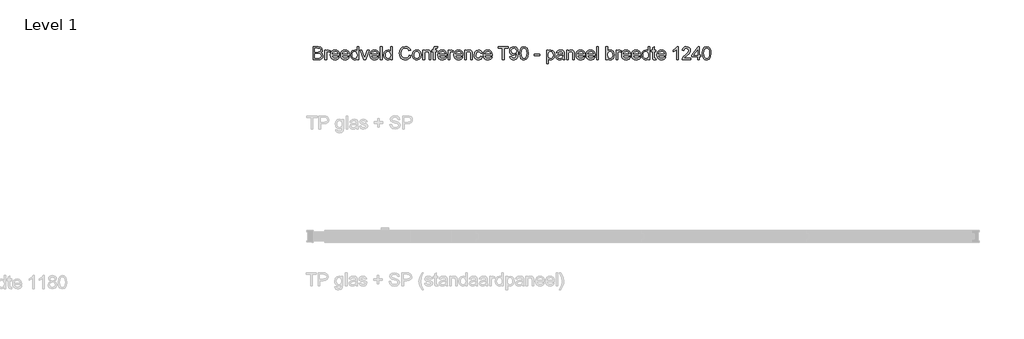
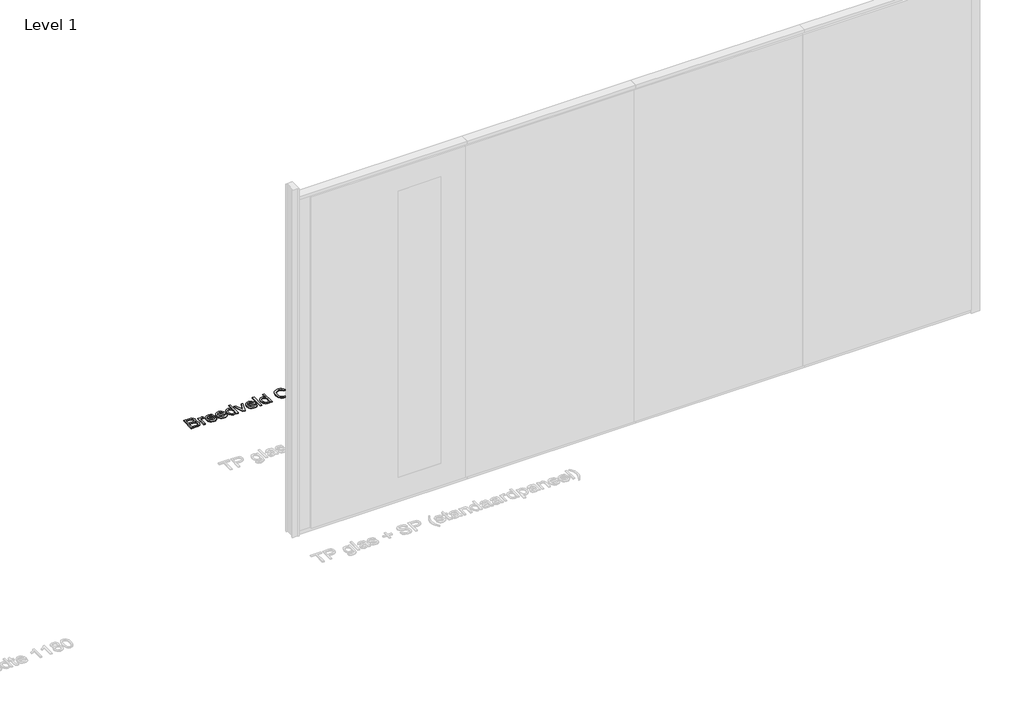
# One storey, part 10 of 17: 1 proxy.
"""IFC4 building model written with IfcOpenShell, lengths in millimetres."""

import ifcopenshell
import ifcopenshell.guid

model = None  # the IFC model being written
_history = None  # IfcOwnerHistory: only IFC2X3 demands one
_inside = {}  # id of a spatial element -> (the spatial element, [elements in it])
_under = {}  # id of a project, library or spatial element -> (it, [spatial elements below it])
_declared = {}  # id of a project -> (the project, [libraries it declares])
_typed = {}  # id of a type object -> (the type object, [elements of that type])
_made_of = {}  # id of a material, layer set ... -> (it, [elements and type objects made of it])


def new_model(schema):
    """Start an empty IFC model of exactly this schema.

    Asked for "IFC4X3", IfcOpenShell would pick the latest addendum, in which some entities
    have other attributes; the version numbers below select the first issue.
    IFC2X3 requires an IfcOwnerHistory on every rooted entity: one is made here for all.
    """
    global model, _history
    if schema == "IFC4X3":
        model = ifcopenshell.file(schema_version=(4, 3, 0, 0))
    else:
        model = ifcopenshell.file(schema=schema)
    _inside.clear()
    _under.clear()
    _declared.clear()
    _typed.clear()
    _made_of.clear()
    _history = None
    if model.schema == "IFC2X3":
        org = make("IfcOrganization", Name="unknown")
        user = make(
            "IfcPersonAndOrganization",
            ThePerson=make("IfcPerson", FamilyName="unknown"),
            TheOrganization=org,
        )
        app = make(
            "IfcApplication",
            ApplicationDeveloper=org,
            Version="unknown",
            ApplicationFullName="unknown",
            ApplicationIdentifier="unknown",
        )
        _history = make(
            "IfcOwnerHistory",
            OwningUser=user,
            OwningApplication=app,
            ChangeAction="ADDED",
            CreationDate=0,
        )
    return model


def make(cls, **values):
    """One entity of the class cls with the attributes given. An attribute that is None is left unset."""
    return model.create_entity(
        cls, **{name: value for name, value in values.items() if value is not None}
    )


def rooted(cls, **values):
    """An entity with a GlobalId (a new one), such as an element, a storey or a relation."""
    return make(cls, GlobalId=ifcopenshell.guid.new(), OwnerHistory=_history, **values)


def si_unit(unit_type, name, prefix=None):
    """IfcSIUnit, for example si_unit("LENGTHUNIT", "METRE", prefix="MILLI")."""
    return make("IfcSIUnit", UnitType=unit_type, Prefix=prefix, Name=name)


def assignment(units):
    """IfcUnitAssignment: the units of a project."""
    return None if units is None else make("IfcUnitAssignment", Units=units)


def point(xyz):
    """IfcCartesianPoint."""
    return None if xyz is None else make("IfcCartesianPoint", Coordinates=xyz)


def direction(xyz):
    """IfcDirection."""
    return None if xyz is None else make("IfcDirection", DirectionRatios=xyz)


def frame(location, z_axis=None, x_axis=None):
    """IfcAxis2Placement3D, a coordinate frame: its origin and axes. An axis left out is left unset."""
    return make(
        "IfcAxis2Placement3D",
        Location=point(location),
        Axis=direction(z_axis),
        RefDirection=direction(x_axis),
    )


def origin():
    """The frame at (0, 0, 0) with its axes left unset."""
    return frame((0.0, 0.0, 0.0))


def origin_with_axes():
    """The frame at (0, 0, 0) with the z axis (0, 0, 1) and the x axis (1, 0, 0) written out."""
    return frame((0.0, 0.0, 0.0), z_axis=(0.0, 0.0, 1.0), x_axis=(1.0, 0.0, 0.0))


def place(relative_to, where):
    """IfcLocalPlacement: puts the frame where relative to a parent placement (None: the world)."""
    return make(
        "IfcLocalPlacement", PlacementRelTo=relative_to, RelativePlacement=where
    )


def context(
    kind, dimensions, precision=None, world=None, true_north=None, identifier=None
):
    """IfcGeometricRepresentationContext, for example the 3D "Model" context."""
    return make(
        "IfcGeometricRepresentationContext",
        ContextIdentifier=identifier,
        ContextType=kind,
        CoordinateSpaceDimension=dimensions,
        Precision=precision,
        WorldCoordinateSystem=world,
        TrueNorth=true_north,
    )


def project(units=None, contexts=None):
    """IfcProject with its units and contexts."""
    return rooted(
        "IfcProject",
        Name="project",
        RepresentationContexts=contexts,
        UnitsInContext=assignment(units),
    )


def spatial(cls, under=None, at=None, **own):
    """A site, building, storey or space (cls), placed at a placement, below another one or the project."""
    s = rooted(cls, ObjectPlacement=at, **own)
    if under is not None:
        _under.setdefault(under.id(), (under, []))[1].append(s)
    return s


def polyline(points):
    """IfcPolyline through the points."""
    return make("IfcPolyline", Points=[point(p) for p in points])


def outline(outer, holes=None, kind="AREA"):
    """IfcArbitraryClosedProfileDef: a profile drawn as a closed curve; with holes, ...WithVoids."""
    if holes is None:
        return make("IfcArbitraryClosedProfileDef", ProfileType=kind, OuterCurve=outer)
    return make(
        "IfcArbitraryProfileDefWithVoids",
        ProfileType=kind,
        OuterCurve=outer,
        InnerCurves=holes,
    )


def extrude(swept, where, along, depth):
    """IfcExtrudedAreaSolid: the profile swept, set in the frame where, extruded along a direction by depth."""
    return make(
        "IfcExtrudedAreaSolid",
        SweptArea=swept,
        Position=where,
        ExtrudedDirection=direction(along),
        Depth=depth,
    )


def shape(context_of_items, identifier, shape_type, items):
    """IfcShapeRepresentation: the items that make up one representation, for example the "Body"."""
    return make(
        "IfcShapeRepresentation",
        ContextOfItems=context_of_items,
        RepresentationIdentifier=identifier,
        RepresentationType=shape_type,
        Items=items,
    )


def made_of(thing, what):
    """Note that an element or type object is made of a material, layer set ...; save() writes the relation."""
    if what is not None:
        _made_of.setdefault(what.id(), (what, []))[1].append(thing)
    return thing


def element(
    cls,
    number,
    at=None,
    inside=None,
    cuts=None,
    type_object=None,
    material=None,
    context=None,
    identifier="Body",
    shape_type=None,
    held_by="IfcProductDefinitionShape",
    body=None,
    shapes=None,
    **own,
):
    """One element of the class cls, such as IfcWall. Its Tag is "e" and its number.

    at: its placement. inside: the storey or other place that contains it. cuts: it is an
    opening in that element (IfcRelVoidsElement). A single representation is given by context,
    identifier, shape_type and body (its items); several are given by shapes. held_by: the class
    of the entity that holds the representations. save() writes the other relations.
    """
    e = rooted(cls, Tag="e%d" % number, ObjectPlacement=at, **own)
    if body is not None:
        shapes = [shape(context, identifier, shape_type, body)]
    if shapes is not None:
        e.Representation = make(held_by, Representations=shapes)
    if inside is not None:
        _inside.setdefault(inside.id(), (inside, []))[1].append(e)
    if cuts is not None:
        rooted(
            "IfcRelVoidsElement", RelatingBuildingElement=cuts, RelatedOpeningElement=e
        )
    if type_object is not None:
        _typed.setdefault(type_object.id(), (type_object, []))[1].append(e)
    return made_of(e, material)


def aggregate(whole, parts):
    """IfcRelAggregates: a whole, such as a stair, and the parts it consists of."""
    return rooted("IfcRelAggregates", RelatingObject=whole, RelatedObjects=parts)


def save(model, path):
    """Write the relations noted so far, then the file.

    IfcRelAggregates (storeys below a building ...), IfcRelContainedInSpatialStructure (elements
    in a storey), IfcRelDefinesByType, IfcRelAssociatesMaterial and IfcRelDeclares: one each for
    every whole, place, type object, material and project.
    """
    for whole, parts in _under.values():
        aggregate(whole, parts)
    for where, things in _inside.values():
        rooted(
            "IfcRelContainedInSpatialStructure",
            RelatedElements=things,
            RelatingStructure=where,
        )
    for kind, things in _typed.values():
        rooted("IfcRelDefinesByType", RelatedObjects=things, RelatingType=kind)
    for what, things in _made_of.values():
        rooted("IfcRelAssociatesMaterial", RelatedObjects=things, RelatingMaterial=what)
    for by, libraries in _declared.values():
        rooted("IfcRelDeclares", RelatingContext=by, RelatedDefinitions=libraries)
    model.write(path)


model = new_model("IFC4")

# Units and contexts
model_context = context("Model", 3, world=origin())
ifc_project = project(units=[si_unit("LENGTHUNIT", "METRE", prefix="MILLI")], contexts=[model_context])

# Site, building, storey
site = spatial("IfcSite", under=ifc_project)
building = spatial("IfcBuilding", under=site)
storey = spatial("IfcBuildingStorey", under=building, Name="Level 1", Elevation=0.0)

# Proxy
placement = place(None, origin())
element("IfcBuildingElementProxy", 1, Name="100 mm", ObjectType="100 mm", at=placement, inside=storey, context=model_context, shape_type="SweptSolid", body=[
    extrude(outline(polyline([(-12470.6602817, 5842.9102169), (-12470.6602817, 5941.3717554), (-12433.0881664, 5941.3717554), (-12414.686724, 5938.4751207), (-12403.8213394, 5929.5688707), (-12399.891051, 5916.9727169), (-12403.1963394, 5905.4703131), (-12413.1843202, 5896.7563707), (-12401.0569164, 5887.5736784), (-12396.8141279, 5872.2611784), (-12399.7107625, 5859.0280054), (-12406.8862433, 5849.6049284), (-12417.5953779, 5844.6049284), (-12433.3766279, 5842.9102169), (-12470.6602817, 5842.9102169)]), holes=[polyline([(-12458.3525894, 5855.2179092), (-12433.1122048, 5855.2179092), (-12423.9775894, 5855.6986784), (-12416.249224, 5858.3789669), (-12411.1290317, 5863.8477169), (-12409.1218202, 5872.1409861), (-12411.4775894, 5881.7082938), (-12419.109801, 5887.4174284), (-12434.3141279, 5889.0640631), (-12458.3525894, 5889.0640631), (-12458.3525894, 5855.2179092)]), polyline([(-12458.3525894, 5901.3717554), (-12435.8766279, 5901.3717554), (-12422.7516279, 5902.4294477), (-12414.8549933, 5906.9847361), (-12412.1987433, 5915.0015631), (-12414.6747048, 5923.0304092), (-12421.766051, 5927.7780054), (-12437.5833587, 5929.0640631), (-12458.3525894, 5929.0640631), (-12458.3525894, 5901.3717554)])]), origin_with_axes(), (0.0, 0.0, 1.0), 5.0),
    extrude(outline(polyline([(-12381.4295125, 5842.9102169), (-12381.4295125, 5915.2179092), (-12370.6602817, 5915.2179092), (-12370.6602817, 5904.5207938), (-12363.016051, 5914.3765631), (-12355.3237433, 5916.7563707), (-12342.967974, 5912.9582938), (-12347.078551, 5901.92464), (-12355.7323971, 5904.4486784), (-12362.6915317, 5902.0207938), (-12367.1266279, 5895.2900246), (-12369.1218202, 5880.9150246), (-12369.1218202, 5842.9102169), (-12381.4295125, 5842.9102169)])), origin_with_axes(), (0.0, 0.0, 1.0), 5.0),
    extrude(outline(polyline([(-12284.6506664, 5864.4486784), (-12272.5833587, 5862.9102169), (-12276.9313154, 5853.8176688), (-12283.8694164, 5847.0207938), (-12293.2414115, 5842.784015), (-12304.891051, 5841.3717554), (-12319.3321567, 5843.8086544), (-12330.4439356, 5851.1193515), (-12337.5292721, 5862.8290871), (-12339.891051, 5878.4631015), (-12337.5052337, 5894.6229573), (-12330.3477817, 5906.7082938), (-12319.3862433, 5914.2443515), (-12305.5881664, 5916.7563707), (-12292.2197769, 5914.2503611), (-12281.5376856, 5906.7323323), (-12274.5334789, 5894.6710342), (-12272.1987433, 5878.5352169), (-12272.2708587, 5875.2179092), (-12327.5833587, 5875.2179092), (-12325.45295, 5866.0051688), (-12320.5040317, 5859.2323323), (-12304.6506664, 5853.6794477), (-12292.5833587, 5856.2515631), (-12284.6506664, 5864.4486784)]), holes=[polyline([(-12327.5833587, 5887.5256015), (-12284.5064356, 5887.5256015), (-12289.4343202, 5898.6794477), (-12296.609801, 5903.0063707), (-12305.6362433, 5904.4486784), (-12320.7924933, 5899.8453131), (-12327.5833587, 5887.5256015)])]), origin_with_axes(), (0.0, 0.0, 1.0), 5.0),
    extrude(outline(polyline([(-12209.266051, 5864.4486784), (-12197.1987433, 5862.9102169), (-12201.5467, 5853.8176688), (-12208.484801, 5847.0207938), (-12217.8567962, 5842.784015), (-12229.5064356, 5841.3717554), (-12243.9475414, 5843.8086544), (-12255.0593202, 5851.1193515), (-12262.1446567, 5862.8290871), (-12264.5064356, 5878.4631015), (-12262.1206183, 5894.6229573), (-12254.9631664, 5906.7082938), (-12244.0016279, 5914.2443515), (-12230.203551, 5916.7563707), (-12216.8351615, 5914.2503611), (-12206.1530702, 5906.7323323), (-12199.1488635, 5894.6710342), (-12196.8141279, 5878.5352169), (-12196.8862433, 5875.2179092), (-12252.1987433, 5875.2179092), (-12250.0683346, 5866.0051688), (-12245.1194164, 5859.2323323), (-12229.266051, 5853.6794477), (-12217.1987433, 5856.2515631), (-12209.266051, 5864.4486784)]), holes=[polyline([(-12252.1987433, 5887.5256015), (-12209.1218202, 5887.5256015), (-12214.0497048, 5898.6794477), (-12221.2251856, 5903.0063707), (-12230.2516279, 5904.4486784), (-12245.4078779, 5899.8453131), (-12252.1987433, 5887.5256015)])]), origin_with_axes(), (0.0, 0.0, 1.0), 5.0),
    extrude(outline(polyline([(-12139.891051, 5842.9102169), (-12139.891051, 5854.5207938), (-12148.0340798, 5844.659015), (-12159.2900894, 5841.3717554), (-12174.530474, 5846.1313707), (-12185.2997048, 5859.4126207), (-12189.1218202, 5878.9919477), (-12185.6001856, 5898.5832938), (-12175.047301, 5912.0688707), (-12159.3381664, 5916.7563707), (-12147.9920125, 5913.4030054), (-12139.891051, 5904.6890631), (-12139.891051, 5941.3717554), (-12127.5833587, 5941.3717554), (-12127.5833587, 5842.9102169), (-12139.891051, 5842.9102169)]), holes=[polyline([(-12176.8141279, 5879.0400246), (-12175.4259067, 5867.9072121), (-12171.2612433, 5859.9895438), (-12165.2095606, 5855.2569717), (-12158.1602817, 5853.6794477), (-12151.1140077, 5855.1848563), (-12145.2155702, 5859.7010823), (-12141.2221808, 5867.3122602), (-12139.891051, 5878.1025246), (-12141.2462192, 5889.8993996), (-12145.311724, 5898.0784861), (-12151.3604019, 5902.8561304), (-12158.6650894, 5904.4486784), (-12165.7864837, 5902.9192313), (-12171.6218202, 5898.33089), (-12175.516051, 5890.4492794), (-12176.8141279, 5879.0400246)])]), origin_with_axes(), (0.0, 0.0, 1.0), 5.0),
    extrude(outline(polyline([(-12091.3814356, 5842.9102169), (-12116.8141279, 5915.2179092), (-12103.7852817, 5915.2179092), (-12088.3766279, 5871.9006015), (-12083.7372048, 5857.3332938), (-12079.1939356, 5871.0832938), (-12063.6891279, 5915.2179092), (-12050.6602817, 5915.2179092), (-12075.780474, 5842.9102169), (-12091.3814356, 5842.9102169)])), origin_with_axes(), (0.0, 0.0, 1.0), 5.0),
    extrude(outline(polyline([(-11989.266051, 5864.4486784), (-11977.1987433, 5862.9102169), (-11981.5467, 5853.8176688), (-11988.484801, 5847.0207938), (-11997.8567962, 5842.784015), (-12009.5064356, 5841.3717554), (-12023.9475414, 5843.8086544), (-12035.0593202, 5851.1193515), (-12042.1446567, 5862.8290871), (-12044.5064356, 5878.4631015), (-12042.1206183, 5894.6229573), (-12034.9631664, 5906.7082938), (-12024.0016279, 5914.2443515), (-12010.203551, 5916.7563707), (-11996.8351615, 5914.2503611), (-11986.1530702, 5906.7323323), (-11979.1488635, 5894.6710342), (-11976.8141279, 5878.5352169), (-11976.8862433, 5875.2179092), (-12032.1987433, 5875.2179092), (-12030.0683346, 5866.0051688), (-12025.1194164, 5859.2323323), (-12009.266051, 5853.6794477), (-11997.1987433, 5856.2515631), (-11989.266051, 5864.4486784)]), holes=[polyline([(-12032.1987433, 5887.5256015), (-11989.1218202, 5887.5256015), (-11994.0497048, 5898.6794477), (-12001.2251856, 5903.0063707), (-12010.2516279, 5904.4486784), (-12025.4078779, 5899.8453131), (-12032.1987433, 5887.5256015)])]), origin_with_axes(), (0.0, 0.0, 1.0), 5.0),
    extrude(outline(polyline([(-11964.5064356, 5842.9102169), (-11964.5064356, 5941.3717554), (-11952.1987433, 5941.3717554), (-11952.1987433, 5842.9102169), (-11964.5064356, 5842.9102169)])), origin_with_axes(), (0.0, 0.0, 1.0), 5.0),
    extrude(outline(polyline([(-11889.1218202, 5842.9102169), (-11889.1218202, 5854.5207938), (-11897.264849, 5844.659015), (-11908.5208587, 5841.3717554), (-11923.7612433, 5846.1313707), (-11934.530474, 5859.4126207), (-11938.3525894, 5878.9919477), (-11934.8309548, 5898.5832938), (-11924.2780702, 5912.0688707), (-11908.5689356, 5916.7563707), (-11897.2227817, 5913.4030054), (-11889.1218202, 5904.6890631), (-11889.1218202, 5941.3717554), (-11876.8141279, 5941.3717554), (-11876.8141279, 5842.9102169), (-11889.1218202, 5842.9102169)]), holes=[polyline([(-11926.0448971, 5879.0400246), (-11924.656676, 5867.9072121), (-11920.4920125, 5859.9895438), (-11914.4403298, 5855.2569717), (-11907.391051, 5853.6794477), (-11900.3447769, 5855.1848563), (-11894.4463394, 5859.7010823), (-11890.45295, 5867.3122602), (-11889.1218202, 5878.1025246), (-11890.4769885, 5889.8993996), (-11894.5424933, 5898.0784861), (-11900.5911712, 5902.8561304), (-11907.8958587, 5904.4486784), (-11915.0172529, 5902.9192313), (-11920.8525894, 5898.33089), (-11924.7468202, 5890.4492794), (-11926.0448971, 5879.0400246)])]), origin_with_axes(), (0.0, 0.0, 1.0), 5.0),
    extrude(outline(polyline([(-11749.1218202, 5877.9102169), (-11736.8141279, 5874.73714), (-11742.4932144, 5860.3951929), (-11751.405474, 5849.9174284), (-11763.1122048, 5843.5081736), (-11777.1747048, 5841.3717554), (-11791.4505462, 5842.9883419), (-11802.7876856, 5847.8381015), (-11811.4775894, 5855.752765), (-11817.811724, 5866.5640631), (-11822.967974, 5892.8861784), (-11821.5106423, 5907.2431496), (-11817.1386471, 5919.6409861), (-11810.0803539, 5929.6860582), (-11800.5641279, 5936.9847361), (-11776.9102817, 5942.9102169), (-11763.4156904, 5940.9931496), (-11752.2588394, 5935.2419477), (-11743.7882865, 5926.0111784), (-11738.3525894, 5913.6554092), (-11750.6602817, 5910.7227169), (-11760.7564356, 5925.8549284), (-11777.391051, 5930.6025246), (-11796.6458587, 5925.3381015), (-11807.5232625, 5911.2034861), (-11810.6602817, 5892.9102169), (-11806.9463394, 5871.7082938), (-11795.3838394, 5858.1626207), (-11778.4006664, 5853.6794477), (-11768.1272289, 5855.20589), (-11759.5665317, 5859.7852169), (-11753.1031904, 5867.3693515), (-11749.1218202, 5877.9102169)])), origin_with_axes(), (0.0, 0.0, 1.0), 5.0),
    extrude(outline(polyline([(-11724.5064356, 5879.0640631), (-11721.844176, 5896.4979573), (-11713.8573971, 5908.7515631), (-11703.9896087, 5914.7551688), (-11692.1747048, 5916.7563707), (-11679.2450173, 5914.3194717), (-11668.9174933, 5907.0087746), (-11662.1476615, 5895.4012025), (-11659.891051, 5880.0736784), (-11663.8814356, 5858.17464), (-11675.5040317, 5845.7828131), (-11692.1747048, 5841.3717554), (-11705.2606423, 5843.79964), (-11715.5761471, 5851.0832938), (-11722.2738635, 5862.9342554), (-11724.5064356, 5879.0640631)]), holes=[polyline([(-11712.1987433, 5879.0881015), (-11710.7744644, 5867.9492794), (-11706.5016279, 5860.0135823), (-11700.0713394, 5855.2629813), (-11692.1747048, 5853.6794477), (-11684.3141279, 5855.2719957), (-11677.8958587, 5860.04964), (-11673.6230221, 5868.0905054), (-11672.1987433, 5879.4727169), (-11673.6320365, 5890.2870198), (-11677.9319164, 5898.1145438), (-11684.3592, 5902.8651448), (-11692.1747048, 5904.4486784), (-11700.0713394, 5902.8711544), (-11706.5016279, 5898.1385823), (-11710.7744644, 5890.220914), (-11712.1987433, 5879.0881015)])]), origin_with_axes(), (0.0, 0.0, 1.0), 5.0),
    extrude(outline(polyline([(-11646.0448971, 5842.9102169), (-11646.0448971, 5915.2179092), (-11633.7372048, 5915.2179092), (-11633.7372048, 5905.1217554), (-11624.3261471, 5913.8477169), (-11611.4775894, 5916.7563707), (-11599.8549933, 5914.4126207), (-11591.922301, 5908.2587746), (-11588.2323971, 5899.2082938), (-11587.5833587, 5887.3092554), (-11587.5833587, 5842.9102169), (-11599.891051, 5842.9102169), (-11599.891051, 5885.6506015), (-11601.3093202, 5896.5400246), (-11606.3213394, 5902.2972361), (-11614.7708587, 5904.4486784), (-11628.124224, 5899.6169477), (-11632.3339596, 5892.6157457), (-11633.7372048, 5881.2756015), (-11633.7372048, 5842.9102169), (-11646.0448971, 5842.9102169)])), origin_with_axes(), (0.0, 0.0, 1.0), 5.0),
    extrude(outline(polyline([(-11567.5833587, 5842.9102169), (-11567.5833587, 5902.9102169), (-11578.3525894, 5902.9102169), (-11578.3525894, 5915.2179092), (-11567.5833587, 5915.2179092), (-11567.5833587, 5922.5015631), (-11566.2852817, 5932.7659861), (-11559.9872048, 5940.0977169), (-11547.5833587, 5942.9102169), (-11536.3573971, 5941.5640631), (-11538.1602817, 5930.0256015), (-11545.2516279, 5930.6025246), (-11553.0040317, 5928.5592554), (-11555.2756664, 5920.9390631), (-11555.2756664, 5915.2179092), (-11541.4295125, 5915.2179092), (-11541.4295125, 5902.9102169), (-11555.2756664, 5902.9102169), (-11555.2756664, 5842.9102169), (-11567.5833587, 5842.9102169)])), origin_with_axes(), (0.0, 0.0, 1.0), 5.0),
    extrude(outline(polyline([(-11480.0352817, 5864.4486784), (-11467.967974, 5862.9102169), (-11472.3159308, 5853.8176688), (-11479.2540317, 5847.0207938), (-11488.6260269, 5842.784015), (-11500.2756664, 5841.3717554), (-11514.7167721, 5843.8086544), (-11525.828551, 5851.1193515), (-11532.9138875, 5862.8290871), (-11535.2756664, 5878.4631015), (-11532.889849, 5894.6229573), (-11525.7323971, 5906.7082938), (-11514.7708587, 5914.2443515), (-11500.9727817, 5916.7563707), (-11487.6043923, 5914.2503611), (-11476.922301, 5906.7323323), (-11469.9180942, 5894.6710342), (-11467.5833587, 5878.5352169), (-11467.655474, 5875.2179092), (-11522.967974, 5875.2179092), (-11520.8375654, 5866.0051688), (-11515.8886471, 5859.2323323), (-11500.0352817, 5853.6794477), (-11487.967974, 5856.2515631), (-11480.0352817, 5864.4486784)]), holes=[polyline([(-11522.967974, 5887.5256015), (-11479.891051, 5887.5256015), (-11484.8189356, 5898.6794477), (-11491.9944164, 5903.0063707), (-11501.0208587, 5904.4486784), (-11516.1771087, 5899.8453131), (-11522.967974, 5887.5256015)])]), origin_with_axes(), (0.0, 0.0, 1.0), 5.0),
    extrude(outline(polyline([(-11455.2756664, 5842.9102169), (-11455.2756664, 5915.2179092), (-11444.5064356, 5915.2179092), (-11444.5064356, 5904.5207938), (-11436.8622048, 5914.3765631), (-11429.1698971, 5916.7563707), (-11416.8141279, 5912.9582938), (-11420.9247048, 5901.92464), (-11429.578551, 5904.4486784), (-11436.5376856, 5902.0207938), (-11440.9727817, 5895.2900246), (-11442.967974, 5880.9150246), (-11442.967974, 5842.9102169), (-11455.2756664, 5842.9102169)])), origin_with_axes(), (0.0, 0.0, 1.0), 5.0),
    extrude(outline(polyline([(-11358.4968202, 5864.4486784), (-11346.4295125, 5862.9102169), (-11350.7774692, 5853.8176688), (-11357.7155702, 5847.0207938), (-11367.0875654, 5842.784015), (-11378.7372048, 5841.3717554), (-11393.1783106, 5843.8086544), (-11404.2900894, 5851.1193515), (-11411.375426, 5862.8290871), (-11413.7372048, 5878.4631015), (-11411.3513875, 5894.6229573), (-11404.1939356, 5906.7082938), (-11393.2323971, 5914.2443515), (-11379.4343202, 5916.7563707), (-11366.0659308, 5914.2503611), (-11355.3838394, 5906.7323323), (-11348.3796327, 5894.6710342), (-11346.0448971, 5878.5352169), (-11346.1170125, 5875.2179092), (-11401.4295125, 5875.2179092), (-11399.2991039, 5866.0051688), (-11394.3501856, 5859.2323323), (-11378.4968202, 5853.6794477), (-11366.4295125, 5856.2515631), (-11358.4968202, 5864.4486784)]), holes=[polyline([(-11401.4295125, 5887.5256015), (-11358.3525894, 5887.5256015), (-11363.280474, 5898.6794477), (-11370.4559548, 5903.0063707), (-11379.4823971, 5904.4486784), (-11394.6386471, 5899.8453131), (-11401.4295125, 5887.5256015)])]), origin_with_axes(), (0.0, 0.0, 1.0), 5.0),
    extrude(outline(polyline([(-11333.7372048, 5842.9102169), (-11333.7372048, 5915.2179092), (-11321.4295125, 5915.2179092), (-11321.4295125, 5905.1217554), (-11312.0184548, 5913.8477169), (-11299.1698971, 5916.7563707), (-11287.547301, 5914.4126207), (-11279.6146087, 5908.2587746), (-11275.9247048, 5899.2082938), (-11275.2756664, 5887.3092554), (-11275.2756664, 5842.9102169), (-11287.5833587, 5842.9102169), (-11287.5833587, 5885.6506015), (-11289.0016279, 5896.5400246), (-11294.0136471, 5902.2972361), (-11302.4631664, 5904.4486784), (-11315.8165317, 5899.6169477), (-11320.0262673, 5892.6157457), (-11321.4295125, 5881.2756015), (-11321.4295125, 5842.9102169), (-11333.7372048, 5842.9102169)])), origin_with_axes(), (0.0, 0.0, 1.0), 5.0),
    extrude(outline(polyline([(-11212.1987433, 5869.0640631), (-11199.891051, 5867.5256015), (-11203.3225414, 5856.5790871), (-11209.7708587, 5848.3068515), (-11218.6290317, 5843.1055294), (-11229.2900894, 5841.3717554), (-11242.3820365, 5843.7906256), (-11252.6194164, 5851.0472361), (-11259.2269885, 5862.8230775), (-11261.4295125, 5878.79964), (-11257.6674933, 5899.2443515), (-11246.2011471, 5912.3813707), (-11229.4583587, 5916.7563707), (-11219.0587192, 5915.2539669), (-11210.7444164, 5910.7467554), (-11204.7798731, 5903.4751207), (-11201.4295125, 5893.6794477), (-11213.7372048, 5892.1409861), (-11219.4463394, 5901.3597361), (-11229.3622048, 5904.4486784), (-11237.3159308, 5902.9282457), (-11243.6290317, 5898.3669477), (-11247.7486231, 5890.51839), (-11249.1218202, 5879.1361784), (-11247.7786712, 5867.6007217), (-11243.749224, 5859.7251207), (-11237.5503058, 5855.1908659), (-11229.6987433, 5853.6794477), (-11218.1001856, 5857.4534861), (-11212.1987433, 5869.0640631)])), origin_with_axes(), (0.0, 0.0, 1.0), 5.0),
    extrude(outline(polyline([(-11138.4968202, 5864.4486784), (-11126.4295125, 5862.9102169), (-11130.7774692, 5853.8176688), (-11137.7155702, 5847.0207938), (-11147.0875654, 5842.784015), (-11158.7372048, 5841.3717554), (-11173.1783106, 5843.8086544), (-11184.2900894, 5851.1193515), (-11191.375426, 5862.8290871), (-11193.7372048, 5878.4631015), (-11191.3513875, 5894.6229573), (-11184.1939356, 5906.7082938), (-11173.2323971, 5914.2443515), (-11159.4343202, 5916.7563707), (-11146.0659308, 5914.2503611), (-11135.3838394, 5906.7323323), (-11128.3796327, 5894.6710342), (-11126.0448971, 5878.5352169), (-11126.1170125, 5875.2179092), (-11181.4295125, 5875.2179092), (-11179.2991039, 5866.0051688), (-11174.3501856, 5859.2323323), (-11158.4968202, 5853.6794477), (-11146.4295125, 5856.2515631), (-11138.4968202, 5864.4486784)]), holes=[polyline([(-11181.4295125, 5887.5256015), (-11138.3525894, 5887.5256015), (-11143.280474, 5898.6794477), (-11150.4559548, 5903.0063707), (-11159.4823971, 5904.4486784), (-11174.6386471, 5899.8453131), (-11181.4295125, 5887.5256015)])]), origin_with_axes(), (0.0, 0.0, 1.0), 5.0),
    extrude(outline(polyline([(-11049.1218202, 5842.9102169), (-11049.1218202, 5929.0640631), (-11081.4295125, 5929.0640631), (-11081.4295125, 5941.3717554), (-11004.5064356, 5941.3717554), (-11004.5064356, 5929.0640631), (-11036.8141279, 5929.0640631), (-11036.8141279, 5842.9102169), (-11049.1218202, 5842.9102169)])), origin_with_axes(), (0.0, 0.0, 1.0), 5.0),
    extrude(outline(polyline([(-10993.7372048, 5867.5256015), (-10981.4295125, 5869.0640631), (-10975.9006664, 5857.3212746), (-10965.4198971, 5853.6794477), (-10955.4559548, 5856.0231977), (-10948.7011471, 5862.2852169), (-10944.6747048, 5872.9823323), (-10942.8958587, 5887.2611784), (-10942.967974, 5889.6650246), (-10952.811724, 5880.3381015), (-10966.3093202, 5876.7563707), (-10977.5322769, 5878.9438707), (-10986.874224, 5885.5063707), (-10993.1753058, 5895.6445919), (-10995.2756664, 5908.5592554), (-10993.0731423, 5921.9006015), (-10986.4655702, 5932.3573323), (-10976.5406904, 5939.1181496), (-10964.3862433, 5941.3717554), (-10946.8501856, 5936.2275246), (-10934.7828779, 5921.5640631), (-10930.6602817, 5894.0159861), (-10934.7708587, 5864.1241592), (-10946.9944164, 5847.1890631), (-10955.8015077, 5842.8260823), (-10965.9968202, 5841.3717554), (-10976.5196567, 5843.0875006), (-10984.9150894, 5848.2347361), (-10990.7864837, 5856.4889429), (-10993.7372048, 5867.5256015)]), holes=[polyline([(-10942.967974, 5908.8477169), (-10948.280474, 5923.6073323), (-10962.391051, 5929.0640631), (-10970.6122048, 5927.5947121), (-10977.1987433, 5923.1866592), (-10981.5256664, 5916.4408659), (-10982.967974, 5907.9582938), (-10977.5112433, 5894.3164669), (-10962.7275894, 5889.0640631), (-10948.5328779, 5894.3164669), (-10944.3592, 5900.5754813), (-10942.967974, 5908.8477169)])]), origin_with_axes(), (0.0, 0.0, 1.0), 5.0),
    extrude(outline(polyline([(-10919.891051, 5891.3477169), (-10916.2732625, 5919.6770438), (-10905.5280702, 5936.0111784), (-10887.5833587, 5941.3717554), (-10873.2083587, 5938.1986784), (-10863.280474, 5929.0520438), (-10857.5112433, 5914.4847361), (-10855.2756664, 5891.3477169), (-10858.8573971, 5863.1385823), (-10869.5665317, 5846.76839), (-10887.5833587, 5841.3717554), (-10900.3718202, 5843.7155054), (-10910.0833587, 5850.7467554), (-10917.4391279, 5867.3993996), (-10919.891051, 5891.3477169)]), holes=[polyline([(-10907.5833587, 5891.3717554), (-10906.141051, 5872.0117794), (-10901.8141279, 5860.8068515), (-10895.3718202, 5855.4612986), (-10887.5833587, 5853.6794477), (-10879.7948971, 5855.4673082), (-10873.3525894, 5860.83089), (-10869.0256664, 5872.0418275), (-10867.5833587, 5891.3717554), (-10868.9775894, 5910.2960342), (-10873.1602817, 5921.5881015), (-10879.5905702, 5927.1950727), (-10887.7275894, 5929.0640631), (-10895.4319164, 5927.4174284), (-10901.6218202, 5922.4775246), (-10906.092974, 5910.4823323), (-10907.5833587, 5891.3717554)])]), origin_with_axes(), (0.0, 0.0, 1.0), 5.0),
    extrude(outline(polyline([(-10809.1218202, 5872.1409861), (-10809.1218202, 5884.4486784), (-10770.6602817, 5884.4486784), (-10770.6602817, 5872.1409861), (-10809.1218202, 5872.1409861)])), origin_with_axes(), (0.0, 0.0, 1.0), 5.0),
    extrude(outline(polyline([(-10718.3525894, 5815.2179092), (-10718.3525894, 5915.2179092), (-10706.0448971, 5915.2179092), (-10706.0448971, 5903.1506015), (-10697.5352817, 5913.3549284), (-10686.0448971, 5916.7563707), (-10670.4439356, 5911.9967554), (-10660.2516279, 5898.5832938), (-10656.8141279, 5879.6169477), (-10660.6963394, 5859.6770438), (-10671.9703779, 5846.0953131), (-10687.5352817, 5841.3717554), (-10698.2444164, 5844.5328131), (-10706.0448971, 5852.5256015), (-10706.0448971, 5815.2179092), (-10718.3525894, 5815.2179092)]), holes=[polyline([(-10706.0448971, 5878.48714), (-10704.7137673, 5867.4534861), (-10700.7203779, 5859.73714), (-10694.82795, 5855.1938707), (-10687.7997048, 5853.6794477), (-10680.6572769, 5855.2479573), (-10674.6146087, 5859.9534861), (-10670.4950173, 5867.9522842), (-10669.1218202, 5879.4006015), (-10670.4619644, 5890.3741592), (-10674.4823971, 5898.1986784), (-10680.3658106, 5902.8861784), (-10687.2948971, 5904.4486784), (-10694.2510269, 5902.7870198), (-10700.359801, 5897.8020438), (-10704.6236231, 5889.6500006), (-10706.0448971, 5878.48714)])]), origin_with_axes(), (0.0, 0.0, 1.0), 5.0),
    extrude(outline(polyline([(-10596.8141279, 5852.1409861), (-10608.749224, 5843.79964), (-10621.9343202, 5841.3717554), (-10632.2197769, 5842.8320919), (-10639.8069164, 5847.2131015), (-10644.4854019, 5853.8657457), (-10646.0448971, 5862.1409861), (-10643.6891279, 5871.8765631), (-10637.499224, 5878.9438707), (-10628.8814356, 5882.9823323), (-10618.2323971, 5884.8332938), (-10596.8862433, 5889.0640631), (-10596.8141279, 5891.8044477), (-10600.203551, 5900.8909861), (-10613.8093202, 5904.4486784), (-10626.2612433, 5902.08089), (-10632.1987433, 5893.6794477), (-10644.5064356, 5895.2179092), (-10639.1819164, 5907.23714), (-10628.4607625, 5914.2804092), (-10612.2227817, 5916.7563707), (-10597.3069164, 5914.5688707), (-10588.8814356, 5909.0760823), (-10585.1073971, 5900.7227169), (-10584.5064356, 5889.9534861), (-10584.5064356, 5874.6409861), (-10583.8814356, 5853.2587746), (-10581.4295125, 5842.9102169), (-10593.7372048, 5842.9102169), (-10596.8141279, 5852.1409861)]), holes=[polyline([(-10596.8141279, 5876.7563707), (-10616.6698971, 5872.9823323), (-10627.2588394, 5870.98714), (-10632.0545125, 5867.7419477), (-10633.7372048, 5863.0063707), (-10630.0713394, 5856.3477169), (-10619.3141279, 5853.6794477), (-10606.8622048, 5856.6241592), (-10598.8333587, 5863.7515631), (-10596.8862433, 5873.2707938), (-10596.8141279, 5876.7563707)])]), origin_with_axes(), (0.0, 0.0, 1.0), 5.0),
    extrude(outline(polyline([(-10567.5833587, 5842.9102169), (-10567.5833587, 5915.2179092), (-10555.2756664, 5915.2179092), (-10555.2756664, 5905.1217554), (-10545.8646087, 5913.8477169), (-10533.016051, 5916.7563707), (-10521.3934548, 5914.4126207), (-10513.4607625, 5908.2587746), (-10509.7708587, 5899.2082938), (-10509.1218202, 5887.3092554), (-10509.1218202, 5842.9102169), (-10521.4295125, 5842.9102169), (-10521.4295125, 5885.6506015), (-10522.8477817, 5896.5400246), (-10527.859801, 5902.2972361), (-10536.3093202, 5904.4486784), (-10549.6626856, 5899.6169477), (-10553.8724212, 5892.6157457), (-10555.2756664, 5881.2756015), (-10555.2756664, 5842.9102169), (-10567.5833587, 5842.9102169)])), origin_with_axes(), (0.0, 0.0, 1.0), 5.0),
    extrude(outline(polyline([(-10441.5737433, 5864.4486784), (-10429.5064356, 5862.9102169), (-10433.8543923, 5853.8176688), (-10440.7924933, 5847.0207938), (-10450.1644885, 5842.784015), (-10461.8141279, 5841.3717554), (-10476.2552337, 5843.8086544), (-10487.3670125, 5851.1193515), (-10494.452349, 5862.8290871), (-10496.8141279, 5878.4631015), (-10494.4283106, 5894.6229573), (-10487.2708587, 5906.7082938), (-10476.3093202, 5914.2443515), (-10462.5112433, 5916.7563707), (-10449.1428539, 5914.2503611), (-10438.4607625, 5906.7323323), (-10431.4565558, 5894.6710342), (-10429.1218202, 5878.5352169), (-10429.1939356, 5875.2179092), (-10484.5064356, 5875.2179092), (-10482.3760269, 5866.0051688), (-10477.4271087, 5859.2323323), (-10461.5737433, 5853.6794477), (-10449.5064356, 5856.2515631), (-10441.5737433, 5864.4486784)]), holes=[polyline([(-10484.5064356, 5887.5256015), (-10441.4295125, 5887.5256015), (-10446.3573971, 5898.6794477), (-10453.5328779, 5903.0063707), (-10462.5593202, 5904.4486784), (-10477.7155702, 5899.8453131), (-10484.5064356, 5887.5256015)])]), origin_with_axes(), (0.0, 0.0, 1.0), 5.0),
    extrude(outline(polyline([(-10366.1891279, 5864.4486784), (-10354.1218202, 5862.9102169), (-10358.4697769, 5853.8176688), (-10365.4078779, 5847.0207938), (-10374.7798731, 5842.784015), (-10386.4295125, 5841.3717554), (-10400.8706183, 5843.8086544), (-10411.9823971, 5851.1193515), (-10419.0677337, 5862.8290871), (-10421.4295125, 5878.4631015), (-10419.0436952, 5894.6229573), (-10411.8862433, 5906.7082938), (-10400.9247048, 5914.2443515), (-10387.1266279, 5916.7563707), (-10373.7582385, 5914.2503611), (-10363.0761471, 5906.7323323), (-10356.0719404, 5894.6710342), (-10353.7372048, 5878.5352169), (-10353.8093202, 5875.2179092), (-10409.1218202, 5875.2179092), (-10406.9914115, 5866.0051688), (-10402.0424933, 5859.2323323), (-10386.1891279, 5853.6794477), (-10374.1218202, 5856.2515631), (-10366.1891279, 5864.4486784)]), holes=[polyline([(-10409.1218202, 5887.5256015), (-10366.0448971, 5887.5256015), (-10370.9727817, 5898.6794477), (-10378.1482625, 5903.0063707), (-10387.1747048, 5904.4486784), (-10402.3309548, 5899.8453131), (-10409.1218202, 5887.5256015)])]), origin_with_axes(), (0.0, 0.0, 1.0), 5.0),
    extrude(outline(polyline([(-10341.4295125, 5842.9102169), (-10341.4295125, 5941.3717554), (-10329.1218202, 5941.3717554), (-10329.1218202, 5842.9102169), (-10341.4295125, 5842.9102169)])), origin_with_axes(), (0.0, 0.0, 1.0), 5.0),
    extrude(outline(polyline([(-10259.891051, 5842.9102169), (-10272.1987433, 5842.9102169), (-10272.1987433, 5941.3717554), (-10259.891051, 5941.3717554), (-10259.891051, 5904.8573323), (-10251.2732625, 5913.7816111), (-10240.5641279, 5916.7563707), (-10228.2323971, 5914.0760823), (-10218.6650894, 5906.5400246), (-10212.7876856, 5894.8212746), (-10210.6602817, 5880.1457938), (-10212.8628058, 5863.7155054), (-10219.4703779, 5851.4919477), (-10229.1668923, 5843.9018034), (-10240.6362433, 5841.3717554), (-10251.5797529, 5844.6349765), (-10259.891051, 5854.42464), (-10259.891051, 5842.9102169)]), holes=[polyline([(-10259.891051, 5879.5688707), (-10256.5256664, 5862.3573323), (-10250.077349, 5855.8489188), (-10241.6939356, 5853.6794477), (-10234.5905702, 5855.2780054), (-10228.5208587, 5860.0736784), (-10224.3561952, 5868.0364188), (-10222.967974, 5879.1361784), (-10224.2991039, 5890.3981977), (-10228.2924933, 5898.2707938), (-10234.1729019, 5902.9042073), (-10241.1650894, 5904.4486784), (-10248.2684548, 5902.8501207), (-10254.3381664, 5898.0544477), (-10258.5028298, 5890.2359381), (-10259.891051, 5879.5688707)])]), origin_with_axes(), (0.0, 0.0, 1.0), 5.0),
    extrude(outline(polyline([(-10196.8141279, 5842.9102169), (-10196.8141279, 5915.2179092), (-10186.0448971, 5915.2179092), (-10186.0448971, 5904.5207938), (-10178.4006664, 5914.3765631), (-10170.7083587, 5916.7563707), (-10158.3525894, 5912.9582938), (-10162.4631664, 5901.92464), (-10171.1170125, 5904.4486784), (-10178.0761471, 5902.0207938), (-10182.5112433, 5895.2900246), (-10184.5064356, 5880.9150246), (-10184.5064356, 5842.9102169), (-10196.8141279, 5842.9102169)])), origin_with_axes(), (0.0, 0.0, 1.0), 5.0),
    extrude(outline(polyline([(-10100.0352817, 5864.4486784), (-10087.967974, 5862.9102169), (-10092.3159308, 5853.8176688), (-10099.2540317, 5847.0207938), (-10108.6260269, 5842.784015), (-10120.2756664, 5841.3717554), (-10134.7167721, 5843.8086544), (-10145.828551, 5851.1193515), (-10152.9138875, 5862.8290871), (-10155.2756664, 5878.4631015), (-10152.889849, 5894.6229573), (-10145.7323971, 5906.7082938), (-10134.7708587, 5914.2443515), (-10120.9727817, 5916.7563707), (-10107.6043923, 5914.2503611), (-10096.922301, 5906.7323323), (-10089.9180942, 5894.6710342), (-10087.5833587, 5878.5352169), (-10087.655474, 5875.2179092), (-10142.967974, 5875.2179092), (-10140.8375654, 5866.0051688), (-10135.8886471, 5859.2323323), (-10120.0352817, 5853.6794477), (-10107.967974, 5856.2515631), (-10100.0352817, 5864.4486784)]), holes=[polyline([(-10142.967974, 5887.5256015), (-10099.891051, 5887.5256015), (-10104.8189356, 5898.6794477), (-10111.9944164, 5903.0063707), (-10121.0208587, 5904.4486784), (-10136.1771087, 5899.8453131), (-10142.967974, 5887.5256015)])]), origin_with_axes(), (0.0, 0.0, 1.0), 5.0),
    extrude(outline(polyline([(-10024.6506664, 5864.4486784), (-10012.5833587, 5862.9102169), (-10016.9313154, 5853.8176688), (-10023.8694164, 5847.0207938), (-10033.2414115, 5842.784015), (-10044.891051, 5841.3717554), (-10059.3321567, 5843.8086544), (-10070.4439356, 5851.1193515), (-10077.5292721, 5862.8290871), (-10079.891051, 5878.4631015), (-10077.5052337, 5894.6229573), (-10070.3477817, 5906.7082938), (-10059.3862433, 5914.2443515), (-10045.5881664, 5916.7563707), (-10032.2197769, 5914.2503611), (-10021.5376856, 5906.7323323), (-10014.5334789, 5894.6710342), (-10012.1987433, 5878.5352169), (-10012.2708587, 5875.2179092), (-10067.5833587, 5875.2179092), (-10065.45295, 5866.0051688), (-10060.5040317, 5859.2323323), (-10044.6506664, 5853.6794477), (-10032.5833587, 5856.2515631), (-10024.6506664, 5864.4486784)]), holes=[polyline([(-10067.5833587, 5887.5256015), (-10024.5064356, 5887.5256015), (-10029.4343202, 5898.6794477), (-10036.609801, 5903.0063707), (-10045.6362433, 5904.4486784), (-10060.7924933, 5899.8453131), (-10067.5833587, 5887.5256015)])]), origin_with_axes(), (0.0, 0.0, 1.0), 5.0),
    extrude(outline(polyline([(-9955.2756664, 5842.9102169), (-9955.2756664, 5854.5207938), (-9963.4186952, 5844.659015), (-9974.6747048, 5841.3717554), (-9989.9150894, 5846.1313707), (-10000.6843202, 5859.4126207), (-10004.5064356, 5878.9919477), (-10000.984801, 5898.5832938), (-9990.4319164, 5912.0688707), (-9974.7227817, 5916.7563707), (-9963.3766279, 5913.4030054), (-9955.2756664, 5904.6890631), (-9955.2756664, 5941.3717554), (-9942.967974, 5941.3717554), (-9942.967974, 5842.9102169), (-9955.2756664, 5842.9102169)]), holes=[polyline([(-9992.1987433, 5879.0400246), (-9990.8105221, 5867.9072121), (-9986.6458587, 5859.9895438), (-9980.594176, 5855.2569717), (-9973.5448971, 5853.6794477), (-9966.4986231, 5855.1848563), (-9960.6001856, 5859.7010823), (-9956.6067962, 5867.3122602), (-9955.2756664, 5878.1025246), (-9956.6308346, 5889.8993996), (-9960.6963394, 5898.0784861), (-9966.7450173, 5902.8561304), (-9974.0497048, 5904.4486784), (-9981.171099, 5902.9192313), (-9987.0064356, 5898.33089), (-9990.9006664, 5890.4492794), (-9992.1987433, 5879.0400246)])]), origin_with_axes(), (0.0, 0.0, 1.0), 5.0),
    extrude(outline(polyline([(-9898.3525894, 5853.17464), (-9896.8141279, 5842.54964), (-9906.0208587, 5841.3717554), (-9916.3333587, 5843.4150246), (-9921.4775894, 5848.7756015), (-9922.967974, 5862.7419477), (-9922.967974, 5902.9102169), (-9932.1987433, 5902.9102169), (-9932.1987433, 5915.2179092), (-9922.967974, 5915.2179092), (-9922.967974, 5932.7900246), (-9910.6602817, 5940.0256015), (-9910.6602817, 5915.2179092), (-9898.3525894, 5915.2179092), (-9898.3525894, 5902.9102169), (-9910.6602817, 5902.9102169), (-9910.6602817, 5863.1025246), (-9910.0112433, 5856.7563707), (-9907.9078779, 5854.5087746), (-9903.7131664, 5853.6794477), (-9898.3525894, 5853.17464)])), origin_with_axes(), (0.0, 0.0, 1.0), 5.0),
    extrude(outline(polyline([(-9835.4198971, 5864.4486784), (-9823.3525894, 5862.9102169), (-9827.7005462, 5853.8176688), (-9834.6386471, 5847.0207938), (-9844.0106423, 5842.784015), (-9855.6602817, 5841.3717554), (-9870.1013875, 5843.8086544), (-9881.2131664, 5851.1193515), (-9888.2985029, 5862.8290871), (-9890.6602817, 5878.4631015), (-9888.2744644, 5894.6229573), (-9881.1170125, 5906.7082938), (-9870.155474, 5914.2443515), (-9856.3573971, 5916.7563707), (-9842.9890077, 5914.2503611), (-9832.3069164, 5906.7323323), (-9825.3027096, 5894.6710342), (-9822.967974, 5878.5352169), (-9823.0400894, 5875.2179092), (-9878.3525894, 5875.2179092), (-9876.2221808, 5866.0051688), (-9871.2732625, 5859.2323323), (-9855.4198971, 5853.6794477), (-9843.3525894, 5856.2515631), (-9835.4198971, 5864.4486784)]), holes=[polyline([(-9878.3525894, 5887.5256015), (-9835.2756664, 5887.5256015), (-9840.203551, 5898.6794477), (-9847.3790317, 5903.0063707), (-9856.405474, 5904.4486784), (-9871.561724, 5899.8453131), (-9878.3525894, 5887.5256015)])]), origin_with_axes(), (0.0, 0.0, 1.0), 5.0),
    extrude(outline(polyline([(-9729.1218202, 5842.9102169), (-9741.4295125, 5842.9102169), (-9741.4295125, 5919.6409861), (-9753.0881664, 5911.3356977), (-9766.0448971, 5905.1217554), (-9766.0448971, 5916.7563707), (-9748.0040317, 5928.2707938), (-9737.0545125, 5941.3717554), (-9729.1218202, 5941.3717554), (-9729.1218202, 5842.9102169)])), origin_with_axes(), (0.0, 0.0, 1.0), 5.0),
    extrude(outline(polyline([(-9636.8141279, 5855.2179092), (-9636.8141279, 5842.9102169), (-9701.4295125, 5842.9102169), (-9700.1073971, 5851.3957938), (-9692.6314356, 5864.4606977), (-9677.2227817, 5878.7275246), (-9655.9727817, 5899.2323323), (-9650.6602817, 5913.17464), (-9655.672301, 5924.4606977), (-9668.7612433, 5929.0640631), (-9682.4030702, 5924.5688707), (-9687.5833587, 5912.1409861), (-9699.891051, 5913.6794477), (-9696.9072769, 5925.5844957), (-9690.4559548, 5934.2804092), (-9680.8736231, 5939.5989188), (-9668.4968202, 5941.3717554), (-9656.0298731, 5939.4006015), (-9646.4655702, 5933.48714), (-9640.3808346, 5924.6530054), (-9638.3525894, 5913.9198323), (-9640.5400894, 5902.2491592), (-9647.811724, 5890.1818515), (-9665.4439356, 5873.3188707), (-9679.6025894, 5861.4799284), (-9685.155474, 5855.2179092), (-9636.8141279, 5855.2179092)])), origin_with_axes(), (0.0, 0.0, 1.0), 5.0),
    extrude(outline(polyline([(-9584.5064356, 5842.9102169), (-9584.5064356, 5865.98714), (-9629.1218202, 5865.98714), (-9629.1218202, 5878.2948323), (-9581.4295125, 5939.8332938), (-9572.1987433, 5939.8332938), (-9572.1987433, 5878.2948323), (-9559.891051, 5878.2948323), (-9559.891051, 5865.98714), (-9572.1987433, 5865.98714), (-9572.1987433, 5842.9102169), (-9584.5064356, 5842.9102169)]), holes=[polyline([(-9584.5064356, 5878.2948323), (-9584.5064356, 5916.3236784), (-9613.9775894, 5878.2948323), (-9584.5064356, 5878.2948323)])]), origin_with_axes(), (0.0, 0.0, 1.0), 5.0),
    extrude(outline(polyline([(-9549.1218202, 5891.3477169), (-9545.5040317, 5919.6770438), (-9534.7588394, 5936.0111784), (-9516.8141279, 5941.3717554), (-9502.4391279, 5938.1986784), (-9492.5112433, 5929.0520438), (-9486.7420125, 5914.4847361), (-9484.5064356, 5891.3477169), (-9488.0881664, 5863.1385823), (-9498.797301, 5846.76839), (-9516.8141279, 5841.3717554), (-9529.6025894, 5843.7155054), (-9539.3141279, 5850.7467554), (-9546.6698971, 5867.3993996), (-9549.1218202, 5891.3477169)]), holes=[polyline([(-9536.8141279, 5891.3717554), (-9535.3718202, 5872.0117794), (-9531.0448971, 5860.8068515), (-9524.6025894, 5855.4612986), (-9516.8141279, 5853.6794477), (-9509.0256664, 5855.4673082), (-9502.5833587, 5860.83089), (-9498.2564356, 5872.0418275), (-9496.8141279, 5891.3717554), (-9498.2083587, 5910.2960342), (-9502.391051, 5921.5881015), (-9508.8213394, 5927.1950727), (-9516.9583587, 5929.0640631), (-9524.6626856, 5927.4174284), (-9530.8525894, 5922.4775246), (-9535.3237433, 5910.4823323), (-9536.8141279, 5891.3717554)])]), origin_with_axes(), (0.0, 0.0, 1.0), 5.0),
])

save(model, "model.ifc")
